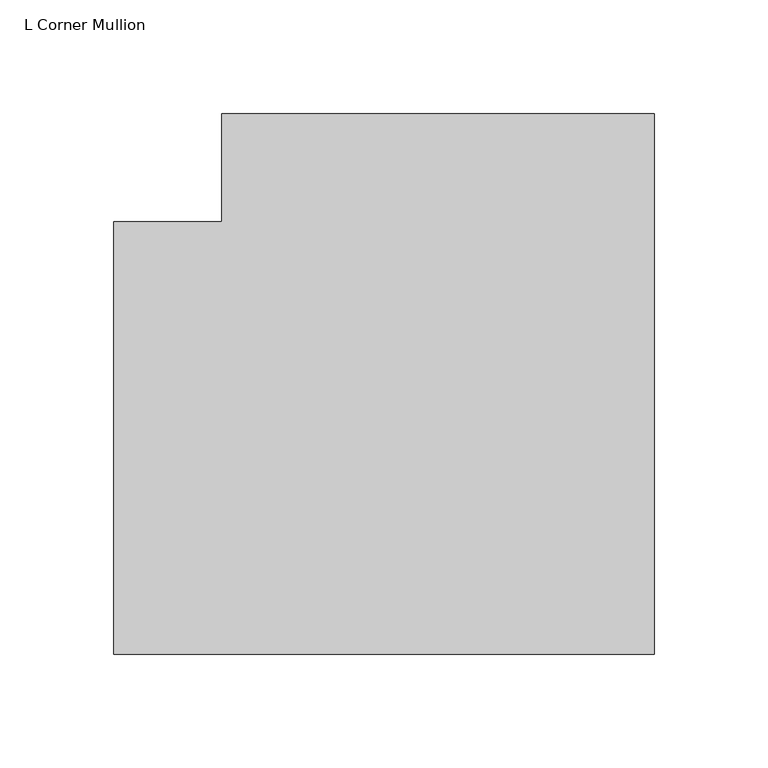
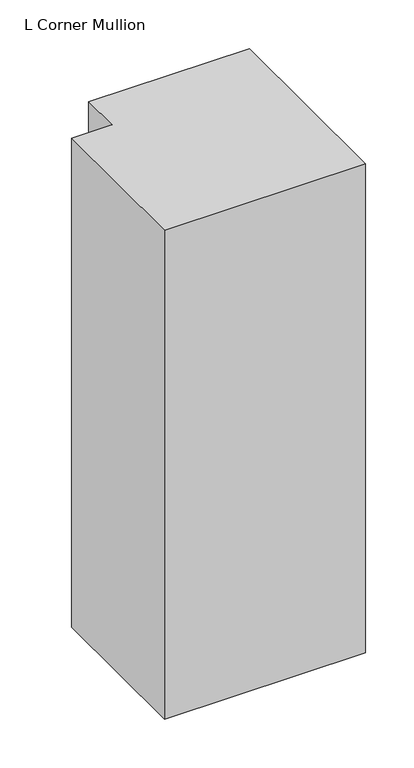
"""IFC4 building model written with IfcOpenShell, lengths in millimetres: member geometry, L Corner Mullion."""

from ifc_helpers import new_model, si_unit, frame, origin, place, context, project, spatial, polyline, outline, extrude, source, transform, mapped, element, save


def l_corner_mullion_693333a6(model_context):
    return source(origin(), model_context, "Body", "SweptSolid", [
        extrude(outline(polyline([(152.4, 85.725), (152.4, -152.4), (-85.725, -152.4), (-85.725, 38.1), (-38.1, 38.1), (-38.1, 85.725), (152.4, 85.725)])), frame((0.0, 0.0, -612.7750377), z_axis=(0.0, 0.0, 1.0), x_axis=(1.0, 0.0, 0.0)), (0.0, 0.0, 1.0), 612.7750377),
    ])


if __name__ == "__main__":
    model = new_model("IFC4")
    model_context = context("Model", 3, world=origin())
    ifc_project = project(units=[si_unit("LENGTHUNIT", "METRE", prefix="MILLI")], contexts=[model_context])
    site = spatial("IfcSite", under=ifc_project)
    building = spatial("IfcBuilding", under=site)
    placement = place(None, origin())
    l_corner_mullion_shape = l_corner_mullion_693333a6(model_context)
    element("IfcMember", 1, ObjectType="L Corner Mullion", at=placement, inside=building, context=model_context, shape_type="MappedRepresentation", body=[
        mapped(l_corner_mullion_shape, transform((0.0, 0.0, 0.0), x_axis=(1.0, 0.0, 0.0), y_axis=(0.0, 1.0, 0.0), z_axis=(0.0, 0.0, 1.0))),
    ])
    save(model, "model.ifc")
